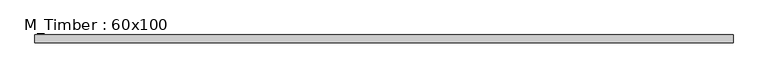
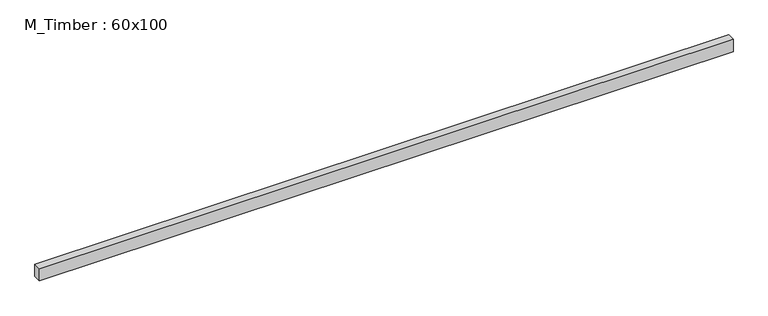
"""IFC4 building model written with IfcOpenShell, lengths in millimetres: beam geometry, M_Timber : 60x100."""

import ifcopenshell
import ifcopenshell.guid

model = None  # the IFC model being written
_history = None  # IfcOwnerHistory: only IFC2X3 demands one
_inside = {}  # id of a spatial element -> (the spatial element, [elements in it])
_under = {}  # id of a project, library or spatial element -> (it, [spatial elements below it])
_declared = {}  # id of a project -> (the project, [libraries it declares])
_typed = {}  # id of a type object -> (the type object, [elements of that type])
_made_of = {}  # id of a material, layer set ... -> (it, [elements and type objects made of it])


def new_model(schema):
    """Start an empty IFC model of exactly this schema.

    Asked for "IFC4X3", IfcOpenShell would pick the latest addendum, in which some entities
    have other attributes; the version numbers below select the first issue.
    IFC2X3 requires an IfcOwnerHistory on every rooted entity: one is made here for all.
    """
    global model, _history
    if schema == "IFC4X3":
        model = ifcopenshell.file(schema_version=(4, 3, 0, 0))
    else:
        model = ifcopenshell.file(schema=schema)
    _inside.clear()
    _under.clear()
    _declared.clear()
    _typed.clear()
    _made_of.clear()
    _history = None
    if model.schema == "IFC2X3":
        org = make("IfcOrganization", Name="unknown")
        user = make(
            "IfcPersonAndOrganization",
            ThePerson=make("IfcPerson", FamilyName="unknown"),
            TheOrganization=org,
        )
        app = make(
            "IfcApplication",
            ApplicationDeveloper=org,
            Version="unknown",
            ApplicationFullName="unknown",
            ApplicationIdentifier="unknown",
        )
        _history = make(
            "IfcOwnerHistory",
            OwningUser=user,
            OwningApplication=app,
            ChangeAction="ADDED",
            CreationDate=0,
        )
    return model


def make(cls, **values):
    """One entity of the class cls with the attributes given. An attribute that is None is left unset."""
    return model.create_entity(
        cls, **{name: value for name, value in values.items() if value is not None}
    )


def rooted(cls, **values):
    """An entity with a GlobalId (a new one), such as an element, a storey or a relation."""
    return make(cls, GlobalId=ifcopenshell.guid.new(), OwnerHistory=_history, **values)


def si_unit(unit_type, name, prefix=None):
    """IfcSIUnit, for example si_unit("LENGTHUNIT", "METRE", prefix="MILLI")."""
    return make("IfcSIUnit", UnitType=unit_type, Prefix=prefix, Name=name)


def assignment(units):
    """IfcUnitAssignment: the units of a project."""
    return None if units is None else make("IfcUnitAssignment", Units=units)


def point(xyz):
    """IfcCartesianPoint."""
    return None if xyz is None else make("IfcCartesianPoint", Coordinates=xyz)


def direction(xyz):
    """IfcDirection."""
    return None if xyz is None else make("IfcDirection", DirectionRatios=xyz)


def frame(location, z_axis=None, x_axis=None):
    """IfcAxis2Placement3D, a coordinate frame: its origin and axes. An axis left out is left unset."""
    return make(
        "IfcAxis2Placement3D",
        Location=point(location),
        Axis=direction(z_axis),
        RefDirection=direction(x_axis),
    )


def origin():
    """The frame at (0, 0, 0) with its axes left unset."""
    return frame((0.0, 0.0, 0.0))


def place(relative_to, where):
    """IfcLocalPlacement: puts the frame where relative to a parent placement (None: the world)."""
    return make(
        "IfcLocalPlacement", PlacementRelTo=relative_to, RelativePlacement=where
    )


def context(
    kind, dimensions, precision=None, world=None, true_north=None, identifier=None
):
    """IfcGeometricRepresentationContext, for example the 3D "Model" context."""
    return make(
        "IfcGeometricRepresentationContext",
        ContextIdentifier=identifier,
        ContextType=kind,
        CoordinateSpaceDimension=dimensions,
        Precision=precision,
        WorldCoordinateSystem=world,
        TrueNorth=true_north,
    )


def project(units=None, contexts=None):
    """IfcProject with its units and contexts."""
    return rooted(
        "IfcProject",
        Name="project",
        RepresentationContexts=contexts,
        UnitsInContext=assignment(units),
    )


def spatial(cls, under=None, at=None, **own):
    """A site, building, storey or space (cls), placed at a placement, below another one or the project."""
    s = rooted(cls, ObjectPlacement=at, **own)
    if under is not None:
        _under.setdefault(under.id(), (under, []))[1].append(s)
    return s


def polyline(points):
    """IfcPolyline through the points."""
    return make("IfcPolyline", Points=[point(p) for p in points])


def outline(outer, holes=None, kind="AREA"):
    """IfcArbitraryClosedProfileDef: a profile drawn as a closed curve; with holes, ...WithVoids."""
    if holes is None:
        return make("IfcArbitraryClosedProfileDef", ProfileType=kind, OuterCurve=outer)
    return make(
        "IfcArbitraryProfileDefWithVoids",
        ProfileType=kind,
        OuterCurve=outer,
        InnerCurves=holes,
    )


def extrude(swept, where, along, depth):
    """IfcExtrudedAreaSolid: the profile swept, set in the frame where, extruded along a direction by depth."""
    return make(
        "IfcExtrudedAreaSolid",
        SweptArea=swept,
        Position=where,
        ExtrudedDirection=direction(along),
        Depth=depth,
    )


def shape(context_of_items, identifier, shape_type, items):
    """IfcShapeRepresentation: the items that make up one representation, for example the "Body"."""
    return make(
        "IfcShapeRepresentation",
        ContextOfItems=context_of_items,
        RepresentationIdentifier=identifier,
        RepresentationType=shape_type,
        Items=items,
    )


def source(mapping_origin, context_of_items, identifier, shape_type, items):
    """IfcRepresentationMap: a shape defined once, which mapped items show again and again."""
    return make(
        "IfcRepresentationMap",
        MappingOrigin=mapping_origin,
        MappedRepresentation=shape(context_of_items, identifier, shape_type, items),
    )


def transform(
    local_origin,
    x_axis=None,
    y_axis=None,
    z_axis=None,
    scale=None,
    scale2=None,
    scale3=None,
    uniform=True,
):
    """IfcCartesianTransformationOperator3D, or its non-uniform kind. x_axis, y_axis, z_axis: its Axis1, 2, 3."""
    if uniform:
        return make(
            "IfcCartesianTransformationOperator3D",
            Axis1=direction(x_axis),
            Axis2=direction(y_axis),
            LocalOrigin=point(local_origin),
            Scale=scale,
            Axis3=direction(z_axis),
        )
    return make(
        "IfcCartesianTransformationOperator3DnonUniform",
        Axis1=direction(x_axis),
        Axis2=direction(y_axis),
        LocalOrigin=point(local_origin),
        Scale=scale,
        Axis3=direction(z_axis),
        Scale2=scale2,
        Scale3=scale3,
    )


def mapped(mapping_source, mapping_target):
    """IfcMappedItem: shows the shape of a source again, moved by a transform."""
    return make(
        "IfcMappedItem", MappingSource=mapping_source, MappingTarget=mapping_target
    )


def made_of(thing, what):
    """Note that an element or type object is made of a material, layer set ...; save() writes the relation."""
    if what is not None:
        _made_of.setdefault(what.id(), (what, []))[1].append(thing)
    return thing


def element(
    cls,
    number,
    at=None,
    inside=None,
    cuts=None,
    type_object=None,
    material=None,
    context=None,
    identifier="Body",
    shape_type=None,
    held_by="IfcProductDefinitionShape",
    body=None,
    shapes=None,
    **own,
):
    """One element of the class cls, such as IfcWall. Its Tag is "e" and its number.

    at: its placement. inside: the storey or other place that contains it. cuts: it is an
    opening in that element (IfcRelVoidsElement). A single representation is given by context,
    identifier, shape_type and body (its items); several are given by shapes. held_by: the class
    of the entity that holds the representations. save() writes the other relations.
    """
    e = rooted(cls, Tag="e%d" % number, ObjectPlacement=at, **own)
    if body is not None:
        shapes = [shape(context, identifier, shape_type, body)]
    if shapes is not None:
        e.Representation = make(held_by, Representations=shapes)
    if inside is not None:
        _inside.setdefault(inside.id(), (inside, []))[1].append(e)
    if cuts is not None:
        rooted(
            "IfcRelVoidsElement", RelatingBuildingElement=cuts, RelatedOpeningElement=e
        )
    if type_object is not None:
        _typed.setdefault(type_object.id(), (type_object, []))[1].append(e)
    return made_of(e, material)


def aggregate(whole, parts):
    """IfcRelAggregates: a whole, such as a stair, and the parts it consists of."""
    return rooted("IfcRelAggregates", RelatingObject=whole, RelatedObjects=parts)


def save(model, path):
    """Write the relations noted so far, then the file.

    IfcRelAggregates (storeys below a building ...), IfcRelContainedInSpatialStructure (elements
    in a storey), IfcRelDefinesByType, IfcRelAssociatesMaterial and IfcRelDeclares: one each for
    every whole, place, type object, material and project.
    """
    for whole, parts in _under.values():
        aggregate(whole, parts)
    for where, things in _inside.values():
        rooted(
            "IfcRelContainedInSpatialStructure",
            RelatedElements=things,
            RelatingStructure=where,
        )
    for kind, things in _typed.values():
        rooted("IfcRelDefinesByType", RelatedObjects=things, RelatingType=kind)
    for what, things in _made_of.values():
        rooted("IfcRelAssociatesMaterial", RelatedObjects=things, RelatingMaterial=what)
    for by, libraries in _declared.values():
        rooted("IfcRelDeclares", RelatingContext=by, RelatedDefinitions=libraries)
    model.write(path)


def m_timber_60x100_69afd2d2(model_context):
    return source(origin(), model_context, "Body", "SweptSolid", [
        extrude(outline(polyline([(2695.9107555, 30.0), (2695.9107555, -30.0), (-2688.9584102, -30.0), (-2688.9584102, 30.0), (2695.9107555, 30.0)])), frame((0.0, 0.0, -50.0), z_axis=(0.0, 0.0, 1.0), x_axis=(1.0, 0.0, 0.0)), (0.0, 0.0, 1.0), 100.0),
    ])


if __name__ == "__main__":
    model = new_model("IFC4")
    model_context = context("Model", 3, world=origin())
    ifc_project = project(units=[si_unit("LENGTHUNIT", "METRE", prefix="MILLI")], contexts=[model_context])
    site = spatial("IfcSite", under=ifc_project)
    building = spatial("IfcBuilding", under=site)
    placement = place(None, origin())
    m_timber_60x100_shape = m_timber_60x100_69afd2d2(model_context)
    element("IfcBeam", 1, ObjectType="M_Timber : 60x100", at=placement, inside=building, context=model_context, shape_type="MappedRepresentation", body=[
        mapped(m_timber_60x100_shape, transform((0.0, 0.0, 0.0), x_axis=(1.0, 0.0, 0.0), y_axis=(0.0, 1.0, 0.0), z_axis=(0.0, 0.0, 1.0))),
    ])
    save(model, "model.ifc")
